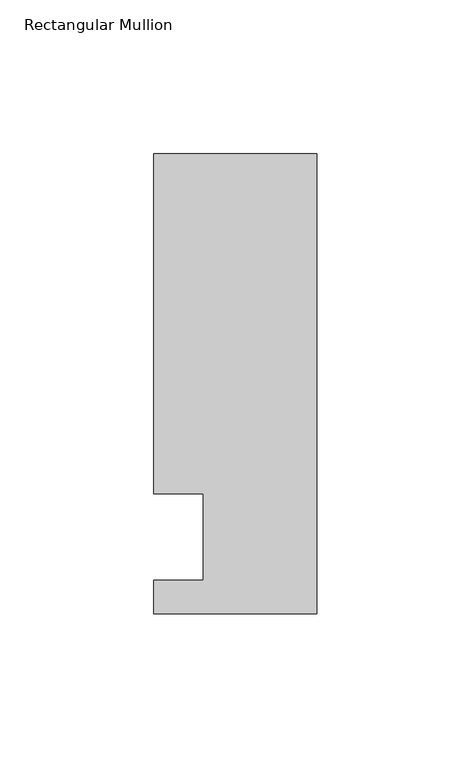
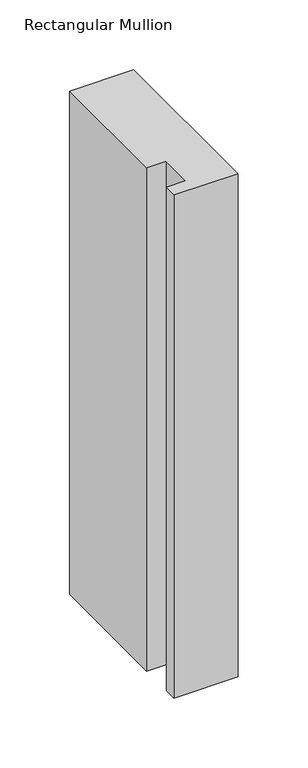
"""IFC4 building model written with IfcOpenShell, lengths in millimetres: member geometry, Rectangular Mullion."""

from ifc_helpers import new_model, si_unit, frame, origin, place, context, project, spatial, polyline, outline, extrude, source, transform, mapped, element, save


def rectangular_mullion_14704075(model_context):
    return source(origin(), model_context, "Body", "SweptSolid", [
        extrude(outline(polyline([(0.0, -25.0), (-53.0, -25.0), (-53.0, -14.0), (-37.0, -14.0), (-37.0, 14.0), (-53.0, 14.0), (-53.0, 124.5), (0.0, 124.5), (0.0, -25.0)])), frame((0.0, 0.0, -440.0657894), z_axis=(0.0, 0.0, 1.0), x_axis=(1.0, 0.0, 0.0)), (0.0, 0.0, 1.0), 440.0657894),
    ])


if __name__ == "__main__":
    model = new_model("IFC4")
    model_context = context("Model", 3, world=origin())
    ifc_project = project(units=[si_unit("LENGTHUNIT", "METRE", prefix="MILLI")], contexts=[model_context])
    site = spatial("IfcSite", under=ifc_project)
    building = spatial("IfcBuilding", under=site)
    placement = place(None, origin())
    rectangular_mullion_shape = rectangular_mullion_14704075(model_context)
    element("IfcMember", 1, ObjectType="Rectangular Mullion", at=placement, inside=building, context=model_context, shape_type="MappedRepresentation", body=[
        mapped(rectangular_mullion_shape, transform((0.0, 0.0, 0.0), x_axis=(1.0, 0.0, 0.0), y_axis=(0.0, 1.0, 0.0), z_axis=(0.0, 0.0, 1.0))),
    ])
    save(model, "model.ifc")
